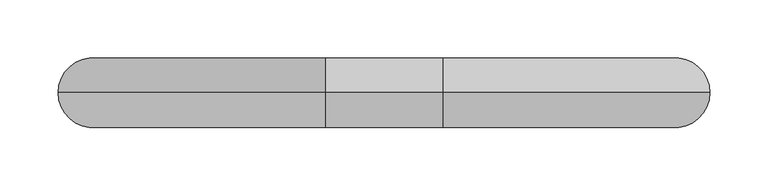
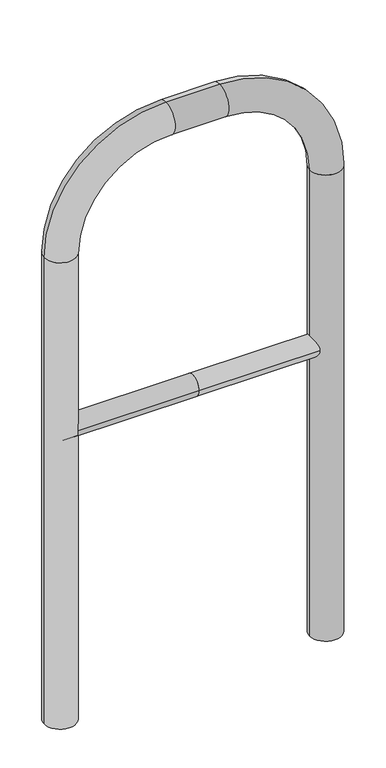
"""IFC4 building model written with IfcOpenShell, lengths in millimetres: proxy geometry."""

from ifc_helpers import new_model, si_unit, point, frame, frame_2d, origin, place, context, project, spatial, circle_curve, ellipse_curve, trimmed, segment, composite_curve, outline, extrude, source, transform, mapped, element, save
from ifc_brep_helpers import plane_surface, cylinder_surface, revolved_surface, advanced_brep


def generic_models_0af31b84(model_context):
    return source(origin(), model_context, "Body", "SolidModel", [
        extrude(outline(composite_curve([segment(trimmed(circle_curve(frame_2d((0.0, 498.4778375)), 20.0), [point((-20.0, 498.4778375))], [point((20.0, 498.4778375))], False, "CARTESIAN"), True, "CONTINUOUS"), segment(trimmed(circle_curve(frame_2d((0.0, 498.4778375)), 20.0), [point((20.0, 498.4778375))], [point((-20.0, 498.4778375))], False, "CARTESIAN"), True, "CONTINUOUS")], self_intersect=False)), frame((-250.6191981, 0.0, 0.0), z_axis=(1.0, 0.0, 0.0), x_axis=(0.0, 1.0, 0.0)), (0.0, 0.0, 1.0), 250.6191981),
        extrude(outline(composite_curve([segment(trimmed(circle_curve(frame_2d((0.0, 498.4778375)), 20.0), [point((-20.0, 498.4778375))], [point((20.0, 498.4778375))], False, "CARTESIAN"), True, "CONTINUOUS"), segment(trimmed(circle_curve(frame_2d((0.0, 498.4778375)), 20.0), [point((20.0, 498.4778375))], [point((-20.0, 498.4778375))], False, "CARTESIAN"), True, "CONTINUOUS")], self_intersect=False)), frame((0.0, 0.0, 0.0), z_axis=(1.0, 0.0, 0.0), x_axis=(0.0, 1.0, 0.0)), (0.0, 0.0, 1.0), 250.6191981),
        advanced_brep(
        [(-220.6191981, 0.0, -80.0), (-280.6191981, 0.0, -80.0), (-220.6191981, 0.0, 850.0), (-280.6191981, 0.0, 850.0), (-50.6191981, 0.0, 1080.0), (-50.6191981, 0.0, 1020.0), (50.6191981, 0.0, 1020.0), (50.6191981, 0.0, 1080.0), (280.6191981, 0.0, 850.0), (220.6191981, 0.0, 850.0), (220.6191981, 0.0, -80.0), (280.6191981, 0.0, -80.0)],
        [
            (0, 1, circle_curve(frame((-250.6191981, 0.0, -80.0), z_axis=(0.0, 0.0, -1.0), x_axis=(-1.0, 0.0, 0.0)), 30.0)),
            (1, 0, circle_curve(frame((-250.6191981, 0.0, -80.0), z_axis=(0.0, 0.0, -1.0), x_axis=(-1.0, 0.0, 0.0)), 30.0)),
            (0, 2),
            (2, 3, circle_curve(frame((-250.6191981, 0.0, 850.0), z_axis=(0.0, 0.0, -1.0), x_axis=(-1.0, 0.0, 0.0)), 30.0)),
            (3, 1),
            (3, 2, circle_curve(frame((-250.6191981, 0.0, 850.0), z_axis=(0.0, 0.0, -1.0), x_axis=(-1.0, 0.0, 0.0)), 30.0)),
            (4, 3, circle_curve(frame((-50.6191981, 0.0, 850.0), z_axis=(0.0, -1.0, 0.0), x_axis=(-1.0, 0.0, 0.0)), 230.0)),
            (2, 5, circle_curve(frame((-50.6191981, 0.0, 850.0), z_axis=(0.0, 1.0, 0.0), x_axis=(-1.0, 0.0, 0.0)), 170.0)),
            (5, 4, circle_curve(frame((-50.6191981, 0.0, 1050.0), z_axis=(-1.0, 0.0, 0.0), x_axis=(0.0, 0.0, 1.0)), 30.0)),
            (4, 5, circle_curve(frame((-50.6191981, 0.0, 1050.0), z_axis=(-1.0, 0.0, 0.0), x_axis=(0.0, 0.0, 1.0)), 30.0)),
            (5, 6),
            (6, 7, circle_curve(frame((50.6191981, 0.0, 1050.0), z_axis=(-1.0, 0.0, 0.0), x_axis=(0.0, 0.0, 1.0)), 30.0)),
            (7, 4),
            (7, 6, circle_curve(frame((50.6191981, 0.0, 1050.0), z_axis=(-1.0, 0.0, 0.0), x_axis=(0.0, 0.0, 1.0)), 30.0)),
            (8, 7, circle_curve(frame((50.6191981, 0.0, 850.0), z_axis=(0.0, -1.0, 0.0), x_axis=(0.0, 0.0, 1.0)), 230.0)),
            (6, 9, circle_curve(frame((50.6191981, 0.0, 850.0), z_axis=(0.0, 1.0, 0.0), x_axis=(0.0, 0.0, 1.0)), 170.0)),
            (9, 8, circle_curve(frame((250.6191981, 0.0, 850.0), z_axis=(0.0, 0.0, 1.0), x_axis=(1.0, 0.0, 0.0)), 30.0)),
            (8, 9, circle_curve(frame((250.6191981, 0.0, 850.0), z_axis=(0.0, 0.0, 1.0), x_axis=(1.0, 0.0, 0.0)), 30.0)),
            (10, 11, circle_curve(frame((250.6191981, 0.0, -80.0), z_axis=(0.0, 0.0, -1.0), x_axis=(1.0, 0.0, 0.0)), 30.0)),
            (11, 10, circle_curve(frame((250.6191981, 0.0, -80.0), z_axis=(0.0, 0.0, -1.0), x_axis=(1.0, 0.0, 0.0)), 30.0)),
            (9, 10),
            (11, 8),
        ],
        [
            plane_surface(frame((-250.6191981, 0.0, -80.0), z_axis=(0.0, 0.0, -1.0), x_axis=(0.0, -1.0, 0.0))),
            cylinder_surface(frame((-250.6191981, 0.0, -80.0), z_axis=(0.0, 0.0, -1.0), x_axis=(-1.0, 0.0, 0.0)), 30.0),
            revolved_surface(trimmed(ellipse_curve(frame((-250.6191981, 0.0, 850.0), z_axis=(0.0, 0.0, -1.0), x_axis=(-1.0, 0.0, 0.0)), 30.0, 30.0), [point((-220.6191981, 0.0, 850.0))], [point((-280.6191981, 0.0, 850.0))], True, "CARTESIAN"), (-50.6191981, 0.0, 850.0), (0.0, 1.0, 0.0)),
            revolved_surface(trimmed(ellipse_curve(frame((-250.6191981, 0.0, 850.0), z_axis=(0.0, 0.0, -1.0), x_axis=(-1.0, 0.0, 0.0)), 30.0, 30.0), [point((-280.6191981, 0.0, 850.0))], [point((-220.6191981, 0.0, 850.0))], True, "CARTESIAN"), (-50.6191981, 0.0, 850.0), (0.0, 1.0, 0.0)),
            cylinder_surface(frame((-50.6191981, 0.0, 1050.0), z_axis=(-1.0, 0.0, 0.0), x_axis=(0.0, 0.0, 1.0)), 30.0),
            revolved_surface(trimmed(ellipse_curve(frame((50.6191981, 0.0, 1050.0), z_axis=(-1.0, 0.0, 0.0), x_axis=(0.0, 0.0, 1.0)), 30.0, 30.0), [point((50.6191981, 0.0, 1020.0))], [point((50.6191981, 0.0, 1080.0))], True, "CARTESIAN"), (50.6191981, 0.0, 850.0), (0.0, 1.0, 0.0)),
            revolved_surface(trimmed(ellipse_curve(frame((50.6191981, 0.0, 1050.0), z_axis=(-1.0, 0.0, 0.0), x_axis=(0.0, 0.0, 1.0)), 30.0, 30.0), [point((50.6191981, 0.0, 1080.0))], [point((50.6191981, 0.0, 1020.0))], True, "CARTESIAN"), (50.6191981, 0.0, 850.0), (0.0, 1.0, 0.0)),
            plane_surface(frame((250.6191981, 0.0, -80.0), z_axis=(0.0, 0.0, -1.0), x_axis=(0.0, -1.0, 0.0))),
            cylinder_surface(frame((250.6191981, 0.0, 850.0), z_axis=(0.0, 0.0, 1.0), x_axis=(1.0, 0.0, 0.0)), 30.0),
        ],
        [
            (0, [[1, 2]]),
            (1, [[-1, 3, 4, 5]]),
            (1, [[-2, -5, 6, -3]]),
            (2, [[7, -4, 8, 9]]),
            (3, [[-8, -6, -7, 10]]),
            (4, [[-9, 11, 12, 13]]),
            (4, [[-10, -13, 14, -11]]),
            (5, [[15, -12, 16, 17]]),
            (6, [[-16, -14, -15, 18]]),
            (7, [[19, 20]]),
            (8, [[-17, 21, -20, 22]]),
            (8, [[-18, -22, -19, -21]]),
        ],
    ),
    ])


if __name__ == "__main__":
    model = new_model("IFC4")
    model_context = context("Model", 3, world=origin())
    ifc_project = project(units=[si_unit("LENGTHUNIT", "METRE", prefix="MILLI")], contexts=[model_context])
    site = spatial("IfcSite", under=ifc_project)
    building = spatial("IfcBuilding", under=site)
    placement = place(None, origin())
    generic_models_shape = generic_models_0af31b84(model_context)
    element("IfcBuildingElementProxy", 1, Name="Generic Models", at=placement, inside=building, context=model_context, shape_type="MappedRepresentation", body=[
        mapped(generic_models_shape, transform((0.0, 0.0, 0.0), x_axis=(1.0, 0.0, 0.0), y_axis=(0.0, 1.0, 0.0), z_axis=(0.0, 0.0, 1.0))),
    ])
    save(model, "model.ifc")
